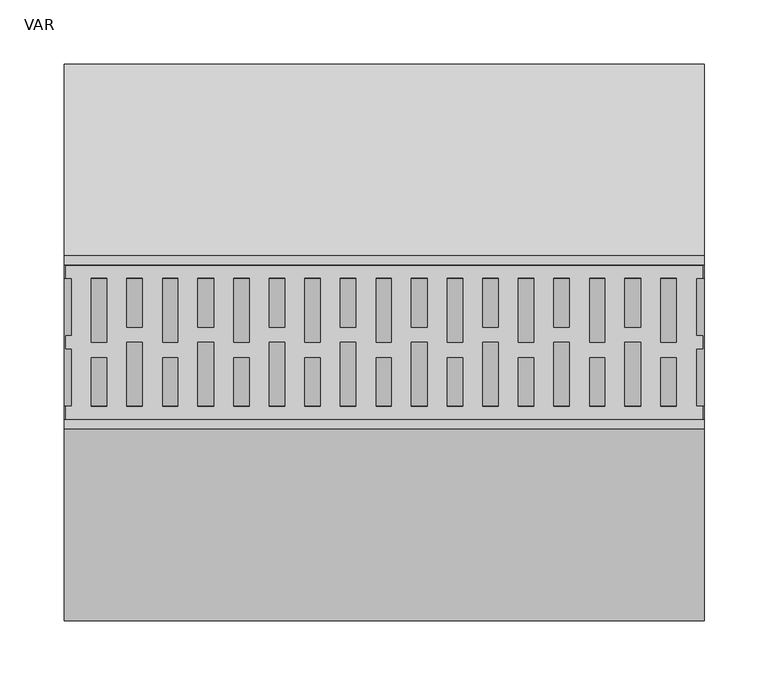
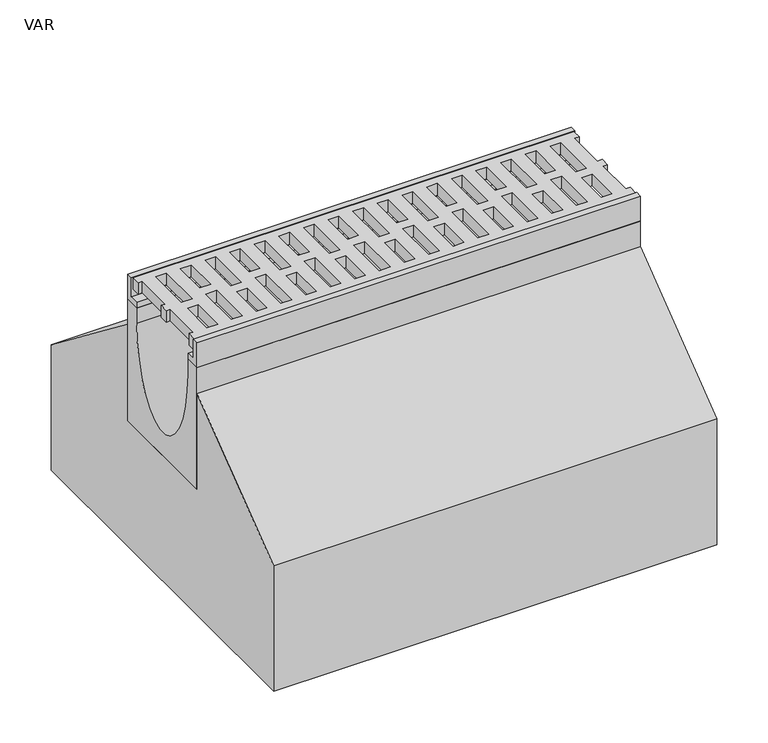
"""IFC4 building model written with IfcOpenShell, lengths in millimetres: flow terminal geometry, VAR."""

import ifcopenshell
import ifcopenshell.guid

model = None  # the IFC model being written
_history = None  # IfcOwnerHistory: only IFC2X3 demands one
_inside = {}  # id of a spatial element -> (the spatial element, [elements in it])
_under = {}  # id of a project, library or spatial element -> (it, [spatial elements below it])
_declared = {}  # id of a project -> (the project, [libraries it declares])
_typed = {}  # id of a type object -> (the type object, [elements of that type])
_made_of = {}  # id of a material, layer set ... -> (it, [elements and type objects made of it])


def new_model(schema):
    """Start an empty IFC model of exactly this schema.

    Asked for "IFC4X3", IfcOpenShell would pick the latest addendum, in which some entities
    have other attributes; the version numbers below select the first issue.
    IFC2X3 requires an IfcOwnerHistory on every rooted entity: one is made here for all.
    """
    global model, _history
    if schema == "IFC4X3":
        model = ifcopenshell.file(schema_version=(4, 3, 0, 0))
    else:
        model = ifcopenshell.file(schema=schema)
    _inside.clear()
    _under.clear()
    _declared.clear()
    _typed.clear()
    _made_of.clear()
    _history = None
    if model.schema == "IFC2X3":
        org = make("IfcOrganization", Name="unknown")
        user = make(
            "IfcPersonAndOrganization",
            ThePerson=make("IfcPerson", FamilyName="unknown"),
            TheOrganization=org,
        )
        app = make(
            "IfcApplication",
            ApplicationDeveloper=org,
            Version="unknown",
            ApplicationFullName="unknown",
            ApplicationIdentifier="unknown",
        )
        _history = make(
            "IfcOwnerHistory",
            OwningUser=user,
            OwningApplication=app,
            ChangeAction="ADDED",
            CreationDate=0,
        )
    return model


def make(cls, **values):
    """One entity of the class cls with the attributes given. An attribute that is None is left unset."""
    return model.create_entity(
        cls, **{name: value for name, value in values.items() if value is not None}
    )


def rooted(cls, **values):
    """An entity with a GlobalId (a new one), such as an element, a storey or a relation."""
    return make(cls, GlobalId=ifcopenshell.guid.new(), OwnerHistory=_history, **values)


def si_unit(unit_type, name, prefix=None):
    """IfcSIUnit, for example si_unit("LENGTHUNIT", "METRE", prefix="MILLI")."""
    return make("IfcSIUnit", UnitType=unit_type, Prefix=prefix, Name=name)


def assignment(units):
    """IfcUnitAssignment: the units of a project."""
    return None if units is None else make("IfcUnitAssignment", Units=units)


def point(xyz):
    """IfcCartesianPoint."""
    return None if xyz is None else make("IfcCartesianPoint", Coordinates=xyz)


def direction(xyz):
    """IfcDirection."""
    return None if xyz is None else make("IfcDirection", DirectionRatios=xyz)


def frame(location, z_axis=None, x_axis=None):
    """IfcAxis2Placement3D, a coordinate frame: its origin and axes. An axis left out is left unset."""
    return make(
        "IfcAxis2Placement3D",
        Location=point(location),
        Axis=direction(z_axis),
        RefDirection=direction(x_axis),
    )


def origin():
    """The frame at (0, 0, 0) with its axes left unset."""
    return frame((0.0, 0.0, 0.0))


def place(relative_to, where):
    """IfcLocalPlacement: puts the frame where relative to a parent placement (None: the world)."""
    return make(
        "IfcLocalPlacement", PlacementRelTo=relative_to, RelativePlacement=where
    )


def context(
    kind, dimensions, precision=None, world=None, true_north=None, identifier=None
):
    """IfcGeometricRepresentationContext, for example the 3D "Model" context."""
    return make(
        "IfcGeometricRepresentationContext",
        ContextIdentifier=identifier,
        ContextType=kind,
        CoordinateSpaceDimension=dimensions,
        Precision=precision,
        WorldCoordinateSystem=world,
        TrueNorth=true_north,
    )


def project(units=None, contexts=None):
    """IfcProject with its units and contexts."""
    return rooted(
        "IfcProject",
        Name="project",
        RepresentationContexts=contexts,
        UnitsInContext=assignment(units),
    )


def spatial(cls, under=None, at=None, **own):
    """A site, building, storey or space (cls), placed at a placement, below another one or the project."""
    s = rooted(cls, ObjectPlacement=at, **own)
    if under is not None:
        _under.setdefault(under.id(), (under, []))[1].append(s)
    return s


def polyline(points):
    """IfcPolyline through the points."""
    return make("IfcPolyline", Points=[point(p) for p in points])


def ellipse_curve(where, semi_axis1, semi_axis2):
    """IfcEllipse in the frame where."""
    return make(
        "IfcEllipse", Position=where, SemiAxis1=semi_axis1, SemiAxis2=semi_axis2
    )


def trimmed(basis, trim1, trim2, sense, master):
    """IfcTrimmedCurve: the piece of a basis curve between two trims."""
    return make(
        "IfcTrimmedCurve",
        BasisCurve=basis,
        Trim1=trim1,
        Trim2=trim2,
        SenseAgreement=sense,
        MasterRepresentation=master,
    )


def outline(outer, holes=None, kind="AREA"):
    """IfcArbitraryClosedProfileDef: a profile drawn as a closed curve; with holes, ...WithVoids."""
    if holes is None:
        return make("IfcArbitraryClosedProfileDef", ProfileType=kind, OuterCurve=outer)
    return make(
        "IfcArbitraryProfileDefWithVoids",
        ProfileType=kind,
        OuterCurve=outer,
        InnerCurves=holes,
    )


def extrude(swept, where, along, depth):
    """IfcExtrudedAreaSolid: the profile swept, set in the frame where, extruded along a direction by depth."""
    return make(
        "IfcExtrudedAreaSolid",
        SweptArea=swept,
        Position=where,
        ExtrudedDirection=direction(along),
        Depth=depth,
    )


def shape(context_of_items, identifier, shape_type, items):
    """IfcShapeRepresentation: the items that make up one representation, for example the "Body"."""
    return make(
        "IfcShapeRepresentation",
        ContextOfItems=context_of_items,
        RepresentationIdentifier=identifier,
        RepresentationType=shape_type,
        Items=items,
    )


def source(mapping_origin, context_of_items, identifier, shape_type, items):
    """IfcRepresentationMap: a shape defined once, which mapped items show again and again."""
    return make(
        "IfcRepresentationMap",
        MappingOrigin=mapping_origin,
        MappedRepresentation=shape(context_of_items, identifier, shape_type, items),
    )


def transform(
    local_origin,
    x_axis=None,
    y_axis=None,
    z_axis=None,
    scale=None,
    scale2=None,
    scale3=None,
    uniform=True,
):
    """IfcCartesianTransformationOperator3D, or its non-uniform kind. x_axis, y_axis, z_axis: its Axis1, 2, 3."""
    if uniform:
        return make(
            "IfcCartesianTransformationOperator3D",
            Axis1=direction(x_axis),
            Axis2=direction(y_axis),
            LocalOrigin=point(local_origin),
            Scale=scale,
            Axis3=direction(z_axis),
        )
    return make(
        "IfcCartesianTransformationOperator3DnonUniform",
        Axis1=direction(x_axis),
        Axis2=direction(y_axis),
        LocalOrigin=point(local_origin),
        Scale=scale,
        Axis3=direction(z_axis),
        Scale2=scale2,
        Scale3=scale3,
    )


def mapped(mapping_source, mapping_target):
    """IfcMappedItem: shows the shape of a source again, moved by a transform."""
    return make(
        "IfcMappedItem", MappingSource=mapping_source, MappingTarget=mapping_target
    )


def made_of(thing, what):
    """Note that an element or type object is made of a material, layer set ...; save() writes the relation."""
    if what is not None:
        _made_of.setdefault(what.id(), (what, []))[1].append(thing)
    return thing


def element(
    cls,
    number,
    at=None,
    inside=None,
    cuts=None,
    type_object=None,
    material=None,
    context=None,
    identifier="Body",
    shape_type=None,
    held_by="IfcProductDefinitionShape",
    body=None,
    shapes=None,
    **own,
):
    """One element of the class cls, such as IfcWall. Its Tag is "e" and its number.

    at: its placement. inside: the storey or other place that contains it. cuts: it is an
    opening in that element (IfcRelVoidsElement). A single representation is given by context,
    identifier, shape_type and body (its items); several are given by shapes. held_by: the class
    of the entity that holds the representations. save() writes the other relations.
    """
    e = rooted(cls, Tag="e%d" % number, ObjectPlacement=at, **own)
    if body is not None:
        shapes = [shape(context, identifier, shape_type, body)]
    if shapes is not None:
        e.Representation = make(held_by, Representations=shapes)
    if inside is not None:
        _inside.setdefault(inside.id(), (inside, []))[1].append(e)
    if cuts is not None:
        rooted(
            "IfcRelVoidsElement", RelatingBuildingElement=cuts, RelatedOpeningElement=e
        )
    if type_object is not None:
        _typed.setdefault(type_object.id(), (type_object, []))[1].append(e)
    return made_of(e, material)


def aggregate(whole, parts):
    """IfcRelAggregates: a whole, such as a stair, and the parts it consists of."""
    return rooted("IfcRelAggregates", RelatingObject=whole, RelatedObjects=parts)


def save(model, path):
    """Write the relations noted so far, then the file.

    IfcRelAggregates (storeys below a building ...), IfcRelContainedInSpatialStructure (elements
    in a storey), IfcRelDefinesByType, IfcRelAssociatesMaterial and IfcRelDeclares: one each for
    every whole, place, type object, material and project.
    """
    for whole, parts in _under.values():
        aggregate(whole, parts)
    for where, things in _inside.values():
        rooted(
            "IfcRelContainedInSpatialStructure",
            RelatedElements=things,
            RelatingStructure=where,
        )
    for kind, things in _typed.values():
        rooted("IfcRelDefinesByType", RelatedObjects=things, RelatingType=kind)
    for what, things in _made_of.values():
        rooted("IfcRelAssociatesMaterial", RelatedObjects=things, RelatingMaterial=what)
    for by, libraries in _declared.values():
        rooted("IfcRelDeclares", RelatingContext=by, RelatedDefinitions=libraries)
    model.write(path)


def plane_surface(at):
    """IfcPlane: the flat surface through the origin of the frame at, square to its z axis."""
    return make("IfcPlane", Position=at)


def extruded_surface(curve, direction_of_extrusion, depth):
    """IfcSurfaceOfLinearExtrusion: the curve pushed along a direction by depth."""
    return make(
        "IfcSurfaceOfLinearExtrusion",
        SweptCurve=make("IfcArbitraryOpenProfileDef", ProfileType="CURVE", Curve=curve),
        ExtrudedDirection=direction(direction_of_extrusion),
        Depth=depth,
    )


def advanced_brep(points, edges, surfaces, faces):
    """IfcAdvancedBrep: a solid bounded by faces that lie on surfaces and meet in shared edges.

    An edge is (start, end): straight between two places in points (the first is 0);
    or (start, end, curve); or (start, end, curve, False) where it runs against its curve.
    A face is (place in surfaces, loops), or (place, loops, False) where it looks against
    its surface's normal. A loop lists edges by number (the first is 1), with a minus sign
    where the edge is run from its end to its start. The first loop is the outer one.
    """
    corners = [point(p) for p in points]
    vertices = [make("IfcVertexPoint", VertexGeometry=c) for c in corners]
    made = []
    for start, end, *more in edges:
        made.append(
            make(
                "IfcEdgeCurve",
                EdgeStart=vertices[start],
                EdgeEnd=vertices[end],
                EdgeGeometry=more[0] if more else make("IfcPolyline", Points=[corners[start], corners[end]]),
                SameSense=more[1] if len(more) > 1 else True,
            )
        )
    hull = []
    for where, loops, *sense in faces:
        bounds = []
        for j, loop in enumerate(loops):
            ring = [make("IfcOrientedEdge", EdgeElement=made[abs(k) - 1], Orientation=k > 0) for k in loop]
            bounds.append(
                make(
                    "IfcFaceOuterBound" if j == 0 else "IfcFaceBound",
                    Bound=make("IfcEdgeLoop", EdgeList=ring),
                    Orientation=True,
                )
            )
        hull.append(make("IfcAdvancedFace", Bounds=bounds, FaceSurface=surfaces[where], SameSense=sense[0] if sense else True))
    return make("IfcAdvancedBrep", Outer=make("IfcClosedShell", CfsFaces=hull))


def var_2cf5f4ec(model_context):
    return source(origin(), model_context, "Body", "SolidModel", [
        extrude(outline(polyline([(499.0, 50.0), (493.7871589, 50.0), (493.7871589, 5.0), (499.0, 5.0), (499.0, -5.0), (493.9604202, -5.0), (493.9604202, -50.0), (499.0, -50.0), (499.0, -60.0), (1.5, -60.0), (1.5, -50.0), (6.0847381, -50.0), (6.0847381, -5.0), (1.5, -5.0), (1.5, 5.0), (6.0847381, 5.0), (6.0847381, 50.0), (1.5, 50.0), (1.5, 60.0), (499.0, 60.0), (499.0, 50.0)]), holes=[polyline([(478.2, 50.0), (466.2429028, 50.0), (466.2429028, 0.0), (478.2, 0.0), (478.2, 50.0)]), polyline([(422.6, 50.0), (410.6429028, 50.0), (410.6429028, 0.0), (422.6, 0.0), (422.6, 50.0)]), polyline([(367.0, 50.0), (355.0429028, 50.0), (355.0429028, 0.0), (367.0, 0.0), (367.0, 50.0)]), polyline([(311.4, 50.0), (299.4429028, 50.0), (299.4429028, 0.0), (311.4, 0.0), (311.4, 50.0)]), polyline([(255.8, 50.0), (243.8429028, 50.0), (243.8429028, 0.0), (255.8, 0.0), (255.8, 50.0)]), polyline([(200.2, 50.0), (188.2429028, 50.0), (188.2429028, 0.0), (200.2, 0.0), (200.2, 50.0)]), polyline([(144.6, 50.0), (132.6429028, 50.0), (132.6429028, 0.0), (144.6, 0.0), (144.6, 50.0)]), polyline([(89.0, 50.0), (77.0429028, 50.0), (77.0429028, 0.0), (89.0, 0.0), (89.0, 50.0)]), polyline([(49.0305238, -50.0), (61.2, -50.0), (61.2, 0.0), (49.0305238, 0.0), (49.0305238, -50.0)]), polyline([(104.6305238, -50.0), (116.8, -50.0), (116.8, 0.0), (104.6305238, 0.0), (104.6305238, -50.0)]), polyline([(160.2305238, -50.0), (172.4, -50.0), (172.4, 0.0), (160.2305238, 0.0), (160.2305238, -50.0)]), polyline([(215.8305238, -50.0), (228.0, -50.0), (228.0, 0.0), (215.8305238, 0.0), (215.8305238, -50.0)]), polyline([(271.4305238, -50.0), (283.6, -50.0), (283.6, 0.0), (271.4305238, 0.0), (271.4305238, -50.0)]), polyline([(327.0305238, -50.0), (339.2, -50.0), (339.2, 0.0), (327.0305238, 0.0), (327.0305238, -50.0)]), polyline([(382.6305238, -50.0), (394.8, -50.0), (394.8, 0.0), (382.6305238, 0.0), (382.6305238, -50.0)]), polyline([(438.2305238, -50.0), (450.4, -50.0), (450.4, 0.0), (438.2305238, 0.0), (438.2305238, -50.0)]), polyline([(450.4, 50.0), (438.2305238, 50.0), (438.2305238, 11.948473), (450.4, 11.948473), (450.4, 50.0)]), polyline([(394.8, 50.0), (382.6305238, 50.0), (382.6305238, 11.948473), (394.8, 11.948473), (394.8, 50.0)]), polyline([(339.2, 50.0), (327.0305238, 50.0), (327.0305238, 11.948473), (339.2, 11.948473), (339.2, 50.0)]), polyline([(283.6, 50.0), (271.4305238, 50.0), (271.4305238, 11.948473), (283.6, 11.948473), (283.6, 50.0)]), polyline([(228.0, 50.0), (215.8305238, 50.0), (215.8305238, 11.948473), (228.0, 11.948473), (228.0, 50.0)]), polyline([(172.4, 50.0), (160.2305238, 50.0), (160.2305238, 11.948473), (172.4, 11.948473), (172.4, 50.0)]), polyline([(116.8, 50.0), (104.6305238, 50.0), (104.6305238, 11.948473), (116.8, 11.948473), (116.8, 50.0)]), polyline([(61.2, 50.0), (49.0305238, 50.0), (49.0305238, 11.948473), (61.2, 11.948473), (61.2, 50.0)]), polyline([(478.2, -50.0), (478.2, -11.948473), (466.2, -11.948473), (466.2, -50.0), (478.2, -50.0)]), polyline([(422.6, -50.0), (422.6, -11.948473), (410.6, -11.948473), (410.6, -50.0), (422.6, -50.0)]), polyline([(367.0, -50.0), (367.0, -11.948473), (355.0, -11.948473), (355.0, -50.0), (367.0, -50.0)]), polyline([(311.4, -50.0), (311.4, -11.948473), (299.4, -11.948473), (299.4, -50.0), (311.4, -50.0)]), polyline([(255.8, -50.0), (255.8, -11.948473), (243.8, -11.948473), (243.8, -50.0), (255.8, -50.0)]), polyline([(200.2, -50.0), (200.2, -11.948473), (188.2, -11.948473), (188.2, -50.0), (200.2, -50.0)]), polyline([(144.6, -50.0), (144.6, -11.948473), (132.6, -11.948473), (132.6, -50.0), (144.6, -50.0)]), polyline([(89.0, -50.0), (89.0, -11.948473), (77.0, -11.948473), (77.0, -50.0), (89.0, -50.0)]), polyline([(33.4, -50.0), (33.4, -11.948473), (21.4, -11.948473), (21.4, -50.0), (33.4, -50.0)]), polyline([(33.4, 50.0), (21.4429028, 50.0), (21.4429028, 0.0), (33.4, 0.0), (33.4, 50.0)])]), frame((0.0, 0.0, -14.0), z_axis=(0.0, 0.0, 1.0), x_axis=(1.0, 0.0, 0.0)), (0.0, 0.0, 1.0), 14.0),
        advanced_brep(
        [(0.0, 50.0, -30.0), (0.0, 67.5, -30.0), (0.0, 67.5, -175.0), (0.0, -67.5, -175.0), (0.0, -67.5, -30.0), (0.0, -50.0, -30.0), (0.0, -50.0, -48.0), (0.0, 50.0, -48.0), (500.0, 50.0, -30.0), (500.0, 50.0, -48.0), (500.0, -50.0, -48.0), (500.0, -50.0, -30.0), (500.0, -67.5, -30.0), (500.0, -67.5, -175.0), (500.0, 67.5, -175.0), (500.0, 67.5, -30.0)],
        [
            (0, 1),
            (1, 2),
            (2, 3),
            (3, 4),
            (4, 5),
            (5, 6),
            (6, 7, ellipse_curve(frame((0.0, 0.0, -48.0), z_axis=(1.0, 0.0, 0.0), x_axis=(0.0, 1.0, 0.0)), 50.0, 100.0)),
            (7, 0),
            (8, 9),
            (9, 10, ellipse_curve(frame((500.0, 0.0, -48.0), z_axis=(-1.0, 0.0, 0.0), x_axis=(0.0, 1.0, 0.0)), 50.0, 100.0)),
            (10, 11),
            (11, 12),
            (12, 13),
            (13, 14),
            (14, 15),
            (15, 8),
            (8, 0),
            (7, 9),
            (6, 10),
            (5, 11),
            (4, 12),
            (3, 13),
            (2, 14),
            (1, 15),
        ],
        [
            plane_surface(frame((0.0, 0.0, -70.75), z_axis=(-1.0, 0.0, 0.0), x_axis=(0.0, 0.0, -1.0))),
            plane_surface(frame((500.0, 0.0, -70.75), z_axis=(1.0, 0.0, 0.0), x_axis=(0.0, 0.0, -1.0))),
            plane_surface(frame((500.0, 50.0, -39.0), z_axis=(0.0, -1.0, 0.0), x_axis=(0.0, 0.0, -1.0))),
            extruded_surface(trimmed(ellipse_curve(frame((0.0, 0.0, -48.0), z_axis=(-1.0, 0.0, 0.0), x_axis=(0.0, 1.0, 0.0)), 50.0, 100.0), [point((0.0, 50.0, -48.0))], [point((0.0, -50.0, -48.0))], True, "CARTESIAN"), (500.0, 0.0, 0.0), 500.0),
            plane_surface(frame((500.0, -50.0, -39.0), z_axis=(0.0, 1.0, 0.0), x_axis=(0.0, 0.0, 1.0))),
            plane_surface(frame((500.0, -58.75, -30.0), z_axis=(0.0, 0.0, 1.0), x_axis=(0.0, -1.0, 0.0))),
            plane_surface(frame((500.0, -67.5, -102.5), z_axis=(0.0, -1.0, 0.0), x_axis=(0.0, 0.0, -1.0))),
            plane_surface(frame((500.0, 0.0, -175.0), z_axis=(0.0, 0.0, -1.0), x_axis=(0.0, 1.0, 0.0))),
            plane_surface(frame((500.0, 67.5, -102.5), z_axis=(0.0, 1.0, 0.0), x_axis=(0.0, 0.0, 1.0))),
            plane_surface(frame((500.0, 58.75, -30.0), z_axis=(0.0, 0.0, 1.0), x_axis=(0.0, -1.0, 0.0))),
        ],
        [
            (0, [[1, 2, 3, 4, 5, 6, 7, 8]]),
            (1, [[9, 10, 11, 12, 13, 14, 15, 16]]),
            (2, [[17, -8, 18, -9]]),
            (3, [[-18, -7, 19, -10]]),
            (4, [[-19, -6, 20, -11]]),
            (5, [[-20, -5, 21, -12]]),
            (6, [[-21, -4, 22, -13]]),
            (7, [[-22, -3, 23, -14]]),
            (8, [[-23, -2, 24, -15]]),
            (9, [[-24, -1, -17, -16]]),
        ],
    ),
        extrude(outline(polyline([(60.5, 0.0), (67.5, 0.0), (67.5, -30.0), (50.0, -30.0), (50.0, -23.0), (60.5, -23.0), (60.5, 0.0)])), frame((0.0, 0.0, 0.0), z_axis=(1.0, 0.0, 0.0), x_axis=(0.0, 1.0, 0.0)), (0.0, 0.0, 1.0), 500.0),
        extrude(outline(polyline([(-60.5, 0.0), (-60.5, -23.0), (-50.0, -23.0), (-50.0, -30.0), (-67.5, -30.0), (-67.5, 0.0), (-60.5, 0.0)])), frame((0.0, 0.0, 0.0), z_axis=(1.0, 0.0, 0.0), x_axis=(0.0, 1.0, 0.0)), (0.0, 0.0, 1.0), 500.0),
        extrude(outline(polyline([(67.5, -175.0), (67.5, -60.0), (217.5, -175.0), (217.5, -325.0), (-217.5, -325.0), (-217.5, -175.0), (-67.5, -60.0), (-67.5, -175.0), (67.5, -175.0)])), frame((0.0, 0.0, 0.0), z_axis=(1.0, 0.0, 0.0), x_axis=(0.0, 1.0, 0.0)), (0.0, 0.0, 1.0), 500.0),
    ])


if __name__ == "__main__":
    model = new_model("IFC4")
    model_context = context("Model", 3, world=origin())
    ifc_project = project(units=[si_unit("LENGTHUNIT", "METRE", prefix="MILLI")], contexts=[model_context])
    site = spatial("IfcSite", under=ifc_project)
    building = spatial("IfcBuilding", under=site)
    placement = place(None, origin())
    var_shape = var_2cf5f4ec(model_context)
    element("IfcFlowTerminal", 1, ObjectType="VAR", at=placement, inside=building, context=model_context, shape_type="MappedRepresentation", body=[
        mapped(var_shape, transform((0.0, 0.0, 0.0), x_axis=(1.0, 0.0, 0.0), y_axis=(0.0, 1.0, 0.0), z_axis=(0.0, 0.0, 1.0))),
    ])
    save(model, "model.ifc")
